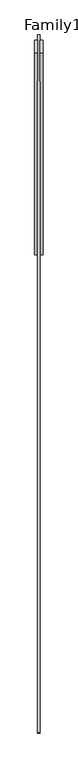
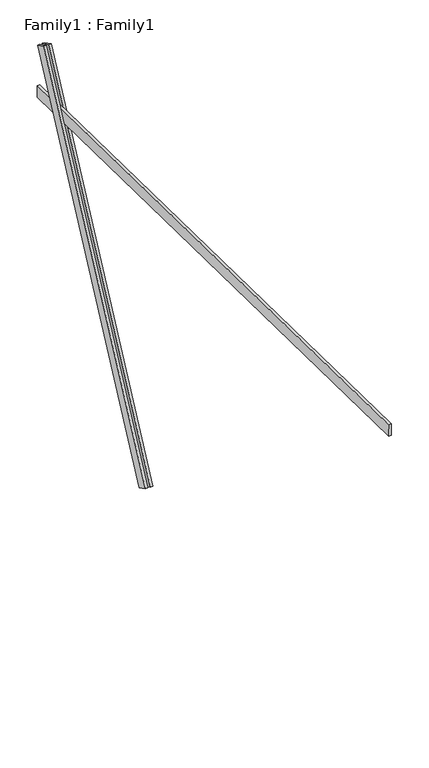
"""IFC4 building model written with IfcOpenShell, lengths in millimetres: proxy geometry, Family1 : Family1."""

import ifcopenshell
import ifcopenshell.guid

model = None  # the IFC model being written
_history = None  # IfcOwnerHistory: only IFC2X3 demands one
_inside = {}  # id of a spatial element -> (the spatial element, [elements in it])
_under = {}  # id of a project, library or spatial element -> (it, [spatial elements below it])
_declared = {}  # id of a project -> (the project, [libraries it declares])
_typed = {}  # id of a type object -> (the type object, [elements of that type])
_made_of = {}  # id of a material, layer set ... -> (it, [elements and type objects made of it])


def new_model(schema):
    """Start an empty IFC model of exactly this schema.

    Asked for "IFC4X3", IfcOpenShell would pick the latest addendum, in which some entities
    have other attributes; the version numbers below select the first issue.
    IFC2X3 requires an IfcOwnerHistory on every rooted entity: one is made here for all.
    """
    global model, _history
    if schema == "IFC4X3":
        model = ifcopenshell.file(schema_version=(4, 3, 0, 0))
    else:
        model = ifcopenshell.file(schema=schema)
    _inside.clear()
    _under.clear()
    _declared.clear()
    _typed.clear()
    _made_of.clear()
    _history = None
    if model.schema == "IFC2X3":
        org = make("IfcOrganization", Name="unknown")
        user = make(
            "IfcPersonAndOrganization",
            ThePerson=make("IfcPerson", FamilyName="unknown"),
            TheOrganization=org,
        )
        app = make(
            "IfcApplication",
            ApplicationDeveloper=org,
            Version="unknown",
            ApplicationFullName="unknown",
            ApplicationIdentifier="unknown",
        )
        _history = make(
            "IfcOwnerHistory",
            OwningUser=user,
            OwningApplication=app,
            ChangeAction="ADDED",
            CreationDate=0,
        )
    return model


def make(cls, **values):
    """One entity of the class cls with the attributes given. An attribute that is None is left unset."""
    return model.create_entity(
        cls, **{name: value for name, value in values.items() if value is not None}
    )


def rooted(cls, **values):
    """An entity with a GlobalId (a new one), such as an element, a storey or a relation."""
    return make(cls, GlobalId=ifcopenshell.guid.new(), OwnerHistory=_history, **values)


def si_unit(unit_type, name, prefix=None):
    """IfcSIUnit, for example si_unit("LENGTHUNIT", "METRE", prefix="MILLI")."""
    return make("IfcSIUnit", UnitType=unit_type, Prefix=prefix, Name=name)


def assignment(units):
    """IfcUnitAssignment: the units of a project."""
    return None if units is None else make("IfcUnitAssignment", Units=units)


def point(xyz):
    """IfcCartesianPoint."""
    return None if xyz is None else make("IfcCartesianPoint", Coordinates=xyz)


def direction(xyz):
    """IfcDirection."""
    return None if xyz is None else make("IfcDirection", DirectionRatios=xyz)


def frame(location, z_axis=None, x_axis=None):
    """IfcAxis2Placement3D, a coordinate frame: its origin and axes. An axis left out is left unset."""
    return make(
        "IfcAxis2Placement3D",
        Location=point(location),
        Axis=direction(z_axis),
        RefDirection=direction(x_axis),
    )


def origin():
    """The frame at (0, 0, 0) with its axes left unset."""
    return frame((0.0, 0.0, 0.0))


def place(relative_to, where):
    """IfcLocalPlacement: puts the frame where relative to a parent placement (None: the world)."""
    return make(
        "IfcLocalPlacement", PlacementRelTo=relative_to, RelativePlacement=where
    )


def context(
    kind, dimensions, precision=None, world=None, true_north=None, identifier=None
):
    """IfcGeometricRepresentationContext, for example the 3D "Model" context."""
    return make(
        "IfcGeometricRepresentationContext",
        ContextIdentifier=identifier,
        ContextType=kind,
        CoordinateSpaceDimension=dimensions,
        Precision=precision,
        WorldCoordinateSystem=world,
        TrueNorth=true_north,
    )


def project(units=None, contexts=None):
    """IfcProject with its units and contexts."""
    return rooted(
        "IfcProject",
        Name="project",
        RepresentationContexts=contexts,
        UnitsInContext=assignment(units),
    )


def spatial(cls, under=None, at=None, **own):
    """A site, building, storey or space (cls), placed at a placement, below another one or the project."""
    s = rooted(cls, ObjectPlacement=at, **own)
    if under is not None:
        _under.setdefault(under.id(), (under, []))[1].append(s)
    return s


def polyline(points):
    """IfcPolyline through the points."""
    return make("IfcPolyline", Points=[point(p) for p in points])


def outline(outer, holes=None, kind="AREA"):
    """IfcArbitraryClosedProfileDef: a profile drawn as a closed curve; with holes, ...WithVoids."""
    if holes is None:
        return make("IfcArbitraryClosedProfileDef", ProfileType=kind, OuterCurve=outer)
    return make(
        "IfcArbitraryProfileDefWithVoids",
        ProfileType=kind,
        OuterCurve=outer,
        InnerCurves=holes,
    )


def extrude(swept, where, along, depth):
    """IfcExtrudedAreaSolid: the profile swept, set in the frame where, extruded along a direction by depth."""
    return make(
        "IfcExtrudedAreaSolid",
        SweptArea=swept,
        Position=where,
        ExtrudedDirection=direction(along),
        Depth=depth,
    )


def shape(context_of_items, identifier, shape_type, items):
    """IfcShapeRepresentation: the items that make up one representation, for example the "Body"."""
    return make(
        "IfcShapeRepresentation",
        ContextOfItems=context_of_items,
        RepresentationIdentifier=identifier,
        RepresentationType=shape_type,
        Items=items,
    )


def source(mapping_origin, context_of_items, identifier, shape_type, items):
    """IfcRepresentationMap: a shape defined once, which mapped items show again and again."""
    return make(
        "IfcRepresentationMap",
        MappingOrigin=mapping_origin,
        MappedRepresentation=shape(context_of_items, identifier, shape_type, items),
    )


def transform(
    local_origin,
    x_axis=None,
    y_axis=None,
    z_axis=None,
    scale=None,
    scale2=None,
    scale3=None,
    uniform=True,
):
    """IfcCartesianTransformationOperator3D, or its non-uniform kind. x_axis, y_axis, z_axis: its Axis1, 2, 3."""
    if uniform:
        return make(
            "IfcCartesianTransformationOperator3D",
            Axis1=direction(x_axis),
            Axis2=direction(y_axis),
            LocalOrigin=point(local_origin),
            Scale=scale,
            Axis3=direction(z_axis),
        )
    return make(
        "IfcCartesianTransformationOperator3DnonUniform",
        Axis1=direction(x_axis),
        Axis2=direction(y_axis),
        LocalOrigin=point(local_origin),
        Scale=scale,
        Axis3=direction(z_axis),
        Scale2=scale2,
        Scale3=scale3,
    )


def mapped(mapping_source, mapping_target):
    """IfcMappedItem: shows the shape of a source again, moved by a transform."""
    return make(
        "IfcMappedItem", MappingSource=mapping_source, MappingTarget=mapping_target
    )


def made_of(thing, what):
    """Note that an element or type object is made of a material, layer set ...; save() writes the relation."""
    if what is not None:
        _made_of.setdefault(what.id(), (what, []))[1].append(thing)
    return thing


def element(
    cls,
    number,
    at=None,
    inside=None,
    cuts=None,
    type_object=None,
    material=None,
    context=None,
    identifier="Body",
    shape_type=None,
    held_by="IfcProductDefinitionShape",
    body=None,
    shapes=None,
    **own,
):
    """One element of the class cls, such as IfcWall. Its Tag is "e" and its number.

    at: its placement. inside: the storey or other place that contains it. cuts: it is an
    opening in that element (IfcRelVoidsElement). A single representation is given by context,
    identifier, shape_type and body (its items); several are given by shapes. held_by: the class
    of the entity that holds the representations. save() writes the other relations.
    """
    e = rooted(cls, Tag="e%d" % number, ObjectPlacement=at, **own)
    if body is not None:
        shapes = [shape(context, identifier, shape_type, body)]
    if shapes is not None:
        e.Representation = make(held_by, Representations=shapes)
    if inside is not None:
        _inside.setdefault(inside.id(), (inside, []))[1].append(e)
    if cuts is not None:
        rooted(
            "IfcRelVoidsElement", RelatingBuildingElement=cuts, RelatedOpeningElement=e
        )
    if type_object is not None:
        _typed.setdefault(type_object.id(), (type_object, []))[1].append(e)
    return made_of(e, material)


def aggregate(whole, parts):
    """IfcRelAggregates: a whole, such as a stair, and the parts it consists of."""
    return rooted("IfcRelAggregates", RelatingObject=whole, RelatedObjects=parts)


def save(model, path):
    """Write the relations noted so far, then the file.

    IfcRelAggregates (storeys below a building ...), IfcRelContainedInSpatialStructure (elements
    in a storey), IfcRelDefinesByType, IfcRelAssociatesMaterial and IfcRelDeclares: one each for
    every whole, place, type object, material and project.
    """
    for whole, parts in _under.values():
        aggregate(whole, parts)
    for where, things in _inside.values():
        rooted(
            "IfcRelContainedInSpatialStructure",
            RelatedElements=things,
            RelatingStructure=where,
        )
    for kind, things in _typed.values():
        rooted("IfcRelDefinesByType", RelatedObjects=things, RelatingType=kind)
    for what, things in _made_of.values():
        rooted("IfcRelAssociatesMaterial", RelatedObjects=things, RelatingMaterial=what)
    for by, libraries in _declared.values():
        rooted("IfcRelDeclares", RelatingContext=by, RelatedDefinitions=libraries)
    model.write(path)


def family1_family1_5db36d2f(model_context):
    return source(origin(), model_context, "Body", "SweptSolid", [
        extrude(outline(polyline([(0.0, 0.0), (0.0, -20.0), (-100.0000001, -20.0), (-100.0000001, 0.0), (0.0, 0.0)])), frame((-30.0, 46.3241747, -22.5938096), z_axis=(0.0, 0.4383711467890692, 0.8987940462991711), x_axis=(0.0, 0.8987940462991711, -0.4383711467890692)), (0.0, 0.0, 1.0), 3300.0),
        extrude(outline(polyline([(0.0, 0.0), (0.0, -20.0), (-99.9999999, -20.0), (-99.9999999, 0.0), (0.0, 0.0)])), frame((10.0, 45.270232, -22.0797674), z_axis=(0.0, 0.4383711467890692, 0.8987940462991711), x_axis=(0.0, 0.8987940462991711, -0.4383711467890692)), (0.0, 0.0, 1.0), 3300.0),
        extrude(outline(polyline([(0.0, -20.0), (0.0, 0.0), (5000.0, 0.0), (5000.0, -20.0), (0.0, -20.0)])), frame((-10.0, -3470.9802955, 2548.6269308), z_axis=(0.0, 0.017452406437286072, 0.9998476951563913), x_axis=(0.0, 0.9998476951563913, -0.017452406437286072)), (0.0, 0.0, 1.0), 100.0),
    ])


if __name__ == "__main__":
    model = new_model("IFC4")
    model_context = context("Model", 3, world=origin())
    ifc_project = project(units=[si_unit("LENGTHUNIT", "METRE", prefix="MILLI")], contexts=[model_context])
    site = spatial("IfcSite", under=ifc_project)
    building = spatial("IfcBuilding", under=site)
    placement = place(None, origin())
    family1_family1_shape = family1_family1_5db36d2f(model_context)
    element("IfcBuildingElementProxy", 1, Name="Family1 : Family1", ObjectType="Family1 : Family1", at=placement, inside=building, context=model_context, shape_type="MappedRepresentation", body=[
        mapped(family1_family1_shape, transform((0.0, 0.0, 0.0), x_axis=(1.0, 0.0, 0.0), y_axis=(0.0, 1.0, 0.0), z_axis=(0.0, 0.0, 1.0))),
    ])
    save(model, "model.ifc")
